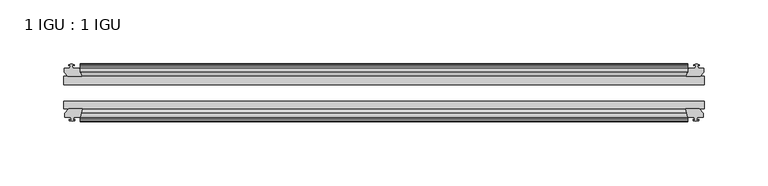
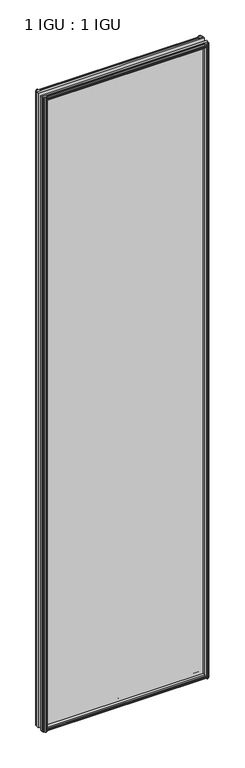
"""IFC4 building model written with IfcOpenShell, lengths in millimetres: plate geometry, 1 IGU : 1 IGU."""

from ifc_helpers import new_model, si_unit, frame, origin, place, context, project, spatial, polyline, outline, extrude, source, transform, mapped, element, save


def plate_1_igu_1_igu_3216a196(model_context):
    return source(origin(), model_context, "Body", "SweptSolid", [
        extrude(outline(polyline([(-25.8960937, 1.1970181), (-19.5460937, -0.5207), (-19.5460937, -5.7277), (-17.1658968, -6.1087), (-17.62583, -4.6931709), (-16.8246158, -4.6931709), (-16.1170937, -6.8707), (-16.8246158, -9.0482291), (-17.62583, -9.0482291), (-17.1658968, -7.6327), (-19.5460937, -8.0137), (-19.5460937, -12.4587), (-22.4924937, -12.4587), (-25.8960937, -9.6243578), (-25.8960937, 1.1970181)])), frame((-237.6393016, 0.0, 0.0), z_axis=(1.0, 0.0, 0.0), x_axis=(0.0, 1.0, 0.0)), (0.0, 0.0, 1.0), 475.2786032),
        extrude(outline(polyline([(-51.2960937, 1.7177181), (-51.2960937, -9.1036578), (-54.6996937, -11.938), (-57.6460937, -11.938), (-57.6460937, -7.493), (-60.0262907, -7.112), (-59.5663575, -8.5275291), (-60.3675717, -8.5275291), (-61.0750937, -6.35), (-60.3675717, -4.1724709), (-59.5663575, -4.1724709), (-60.0262907, -5.588), (-57.6460937, -5.207), (-57.6460937, 0.0), (-51.2960937, 1.7177181)])), frame((-237.6393016, 0.0, 0.0), z_axis=(1.0, 0.0, 0.0), x_axis=(0.0, 1.0, 0.0)), (0.0, 0.0, 1.0), 475.2786032),
        extrude(outline(polyline([(-57.6460937, 2005.838), (-54.6996937, 2005.838), (-51.2960937, 2003.0036578), (-51.2960937, 1992.1822819), (-57.6460937, 1993.9), (-57.6460937, 1999.107), (-60.0262907, 1999.488), (-59.5663575, 1998.072471), (-60.3675717, 1998.072471), (-61.0750937, 2000.25), (-60.3675717, 2002.4275291), (-59.5663575, 2002.4275291), (-60.0262907, 2001.012), (-57.6460937, 2001.393), (-57.6460937, 2005.838)])), frame((-237.6393016, 0.0, 0.0), z_axis=(1.0, 0.0, 0.0), x_axis=(0.0, 1.0, 0.0)), (0.0, 0.0, 1.0), 475.2786032),
        extrude(outline(polyline([(-19.5460937, 2006.3587), (-19.5460937, 2001.9137), (-17.1658968, 2001.5327), (-17.62583, 2002.9482291), (-16.8246158, 2002.9482291), (-16.1170937, 2000.7707), (-16.8246158, 1998.593171), (-17.62583, 1998.593171), (-17.1658968, 2000.0087), (-19.5460937, 1999.6277), (-19.5460937, 1994.4207), (-25.8960937, 1992.7029819), (-25.8960937, 2003.5243578), (-22.4924937, 2006.3587), (-19.5460937, 2006.3587)])), frame((-237.6393016, 0.0, 0.0), z_axis=(1.0, 0.0, 0.0), x_axis=(0.0, 1.0, 0.0)), (0.0, 0.0, 1.0), 475.2786032),
        extrude(outline(polyline([(-244.5100016, -16.1170937), (-242.3324725, -16.8246158), (-242.3324725, -17.62583), (-243.7480016, -17.1658968), (-243.3670016, -19.5460937), (-238.1600016, -19.5460937), (-236.4422835, -25.8960937), (-247.2636594, -25.8960937), (-250.0980016, -22.4924937), (-250.0980016, -19.5460937), (-245.6530016, -19.5460937), (-245.2720016, -17.1658968), (-246.6875306, -17.62583), (-246.6875306, -16.8246158), (-244.5100016, -16.1170937)])), frame((0.0, 0.0, -12.7), z_axis=(0.0, 0.0, 1.0), x_axis=(1.0, 0.0, 0.0)), (0.0, 0.0, 1.0), 2019.3),
        extrude(outline(polyline([(-243.9893016, -61.0750938), (-246.1668306, -60.3675717), (-246.1668306, -59.5663575), (-244.7513016, -60.0262907), (-245.1323016, -57.6460938), (-249.5773016, -57.6460938), (-249.5773016, -54.6996938), (-246.7429594, -51.2960937), (-235.9215835, -51.2960937), (-237.6393016, -57.6460938), (-242.8463016, -57.6460938), (-243.2273016, -60.0262907), (-241.8117725, -59.5663575), (-241.8117725, -60.3675717), (-243.9893016, -61.0750938)])), frame((0.0, 0.0, -12.7), z_axis=(0.0, 0.0, 1.0), x_axis=(1.0, 0.0, 0.0)), (0.0, 0.0, 1.0), 2019.3),
        extrude(outline(polyline([(243.3670016, -19.5460937), (243.7480016, -17.1658968), (242.3324725, -17.62583), (242.3324725, -16.8246158), (244.5100016, -16.1170937), (246.6875306, -16.8246158), (246.6875306, -17.62583), (245.2720016, -17.1658968), (245.6530016, -19.5460937), (250.0980016, -19.5460937), (250.0980016, -22.4924937), (247.2636594, -25.8960937), (236.4422835, -25.8960937), (238.1600016, -19.5460937), (243.3670016, -19.5460937)])), frame((0.0, 0.0, -12.7), z_axis=(0.0, 0.0, 1.0), x_axis=(1.0, 0.0, 0.0)), (0.0, 0.0, 1.0), 2019.3),
        extrude(outline(polyline([(246.7429594, -51.2960937), (249.5773016, -54.6996937), (249.5773016, -57.6460937), (245.1323016, -57.6460937), (244.7513016, -60.0262907), (246.1668306, -59.5663575), (246.1668306, -60.3675717), (243.9893016, -61.0750937), (241.8117725, -60.3675717), (241.8117725, -59.5663575), (243.2273016, -60.0262907), (242.8463016, -57.6460937), (237.6393016, -57.6460937), (235.9215835, -51.2960937), (246.7429594, -51.2960937)])), frame((0.0, 0.0, -12.7), z_axis=(0.0, 0.0, 1.0), x_axis=(1.0, 0.0, 0.0)), (0.0, 0.0, 1.0), 2019.3),
        extrude(outline(polyline([(-250.3393016, -25.8960937), (250.3393016, -25.8960937), (250.3393016, -32.2460937), (-250.3393016, -32.2460937), (-250.3393016, -25.8960937)])), frame((0.0, 0.0, -12.7), z_axis=(0.0, 0.0, 1.0), x_axis=(1.0, 0.0, 0.0)), (0.0, 0.0, 1.0), 2019.3),
        extrude(outline(polyline([(250.3393016, -45.2686737), (250.3393016, -51.2960937), (-250.3393016, -51.2960937), (-250.3393016, -45.2686737), (250.3393016, -45.2686737)])), frame((0.0, 0.0, -12.7), z_axis=(0.0, 0.0, 1.0), x_axis=(1.0, 0.0, 0.0)), (0.0, 0.0, 1.0), 2019.3),
    ])


if __name__ == "__main__":
    model = new_model("IFC4")
    model_context = context("Model", 3, world=origin())
    ifc_project = project(units=[si_unit("LENGTHUNIT", "METRE", prefix="MILLI")], contexts=[model_context])
    site = spatial("IfcSite", under=ifc_project)
    building = spatial("IfcBuilding", under=site)
    placement = place(None, origin())
    plate_1_igu_1_igu_shape = plate_1_igu_1_igu_3216a196(model_context)
    element("IfcPlate", 1, ObjectType="1 IGU : 1 IGU", at=placement, inside=building, context=model_context, shape_type="MappedRepresentation", body=[
        mapped(plate_1_igu_1_igu_shape, transform((0.0, 0.0, 0.0), x_axis=(1.0, 0.0, 0.0), y_axis=(0.0, 1.0, 0.0), z_axis=(0.0, 0.0, 1.0))),
    ])
    save(model, "model.ifc")
